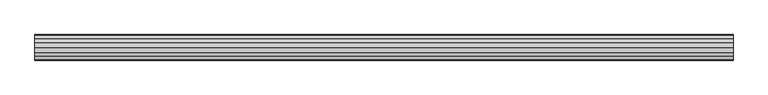
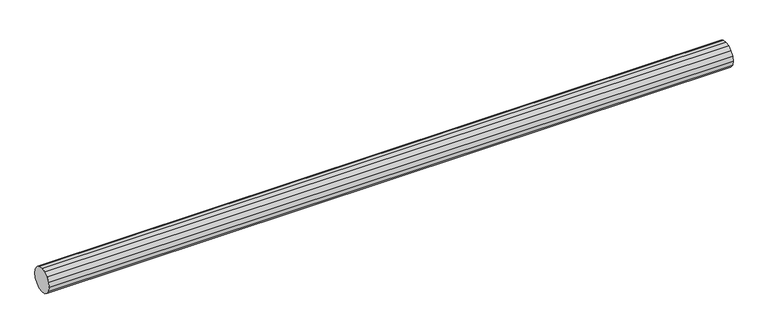
"""IFC4 building model written with IfcOpenShell, lengths in millimetres: beam geometry."""

from ifc_helpers import new_model, si_unit, frame, origin, place, context, project, spatial, polyline, outline, extrude, source, transform, mapped, element, save


def beam_f25bf29b(model_context):
    return source(origin(), model_context, "Body", "SweptSolid", [
        extrude(outline(polyline([(10.6568654, 86.4243195), (0.0, 140.0), (10.6568654, 193.5756805), (41.0050506, 238.9949494), (86.4243195, 269.3431346), (140.0, 280.0), (193.5756805, 269.3431346), (238.9949494, 238.9949494), (269.3431346, 193.5756805), (280.0, 140.0), (269.3431346, 86.4243195), (238.9949494, 41.0050506), (193.5756805, 10.6568654), (140.0, 0.0), (86.4243195, 10.6568654), (41.0050506, 41.0050506), (10.6568654, 86.4243195)])), frame((0.0, 0.0, 0.0), z_axis=(1.0, 0.0, 0.0), x_axis=(0.0, 1.0, 0.0)), (0.0, 0.0, 1.0), 7620.0),
    ])


if __name__ == "__main__":
    model = new_model("IFC4")
    model_context = context("Model", 3, world=origin())
    ifc_project = project(units=[si_unit("LENGTHUNIT", "METRE", prefix="MILLI")], contexts=[model_context])
    site = spatial("IfcSite", under=ifc_project)
    building = spatial("IfcBuilding", under=site)
    placement = place(None, origin())
    beam_shape = beam_f25bf29b(model_context)
    element("IfcBeam", 1, at=placement, inside=building, context=model_context, shape_type="MappedRepresentation", body=[
        mapped(beam_shape, transform((0.0, 0.0, 0.0), x_axis=(1.0, 0.0, 0.0), y_axis=(0.0, 1.0, 0.0), z_axis=(0.0, 0.0, 1.0))),
    ])
    save(model, "model.ifc")
